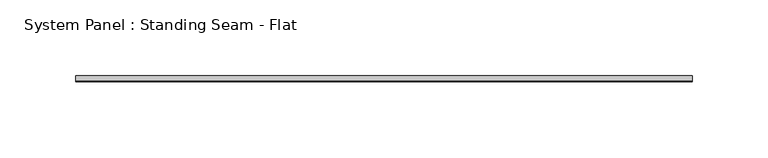
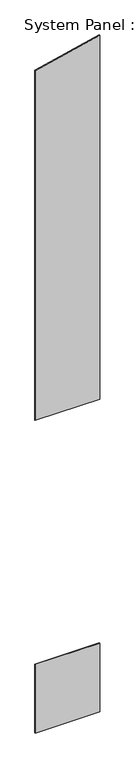
"""IFC4 building model written with IfcOpenShell, lengths in millimetres: plate geometry, System Panel : Standing Seam - Flat."""

from ifc_helpers import new_model, si_unit, frame, origin, origin_with_axes, place, context, project, spatial, polyline, outline, extrude, source, transform, mapped, element, save


def system_panel_standing_seam_flat_8ededbbd(model_context):
    return source(origin(), model_context, "Body", "SweptSolid", [
        extrude(outline(polyline([(203.2, -1.5875), (-203.2, -1.5875), (-203.2, 1.5875), (203.2, 1.5875), (203.2, -1.5875)])), origin_with_axes(), (0.0, 0.0, 1.0), 457.2),
        extrude(outline(polyline([(2082.8, -203.2), (2082.8, 203.2), (4506.7602773, 203.2), (4413.3775325, -203.2), (2082.8, -203.2)])), frame((0.0, -1.5875, 0.0), z_axis=(0.0, 1.0, 0.0), x_axis=(0.0, 0.0, 1.0)), (0.0, 0.0, 1.0), 3.175),
    ])


if __name__ == "__main__":
    model = new_model("IFC4")
    model_context = context("Model", 3, world=origin())
    ifc_project = project(units=[si_unit("LENGTHUNIT", "METRE", prefix="MILLI")], contexts=[model_context])
    site = spatial("IfcSite", under=ifc_project)
    building = spatial("IfcBuilding", under=site)
    placement = place(None, origin())
    system_panel_standing_seam_flat_shape = system_panel_standing_seam_flat_8ededbbd(model_context)
    element("IfcPlate", 1, ObjectType="System Panel : Standing Seam - Flat", at=placement, inside=building, context=model_context, shape_type="MappedRepresentation", body=[
        mapped(system_panel_standing_seam_flat_shape, transform((0.0, 0.0, 0.0), x_axis=(1.0, 0.0, 0.0), y_axis=(0.0, 1.0, 0.0), z_axis=(0.0, 0.0, 1.0))),
    ])
    save(model, "model.ifc")
